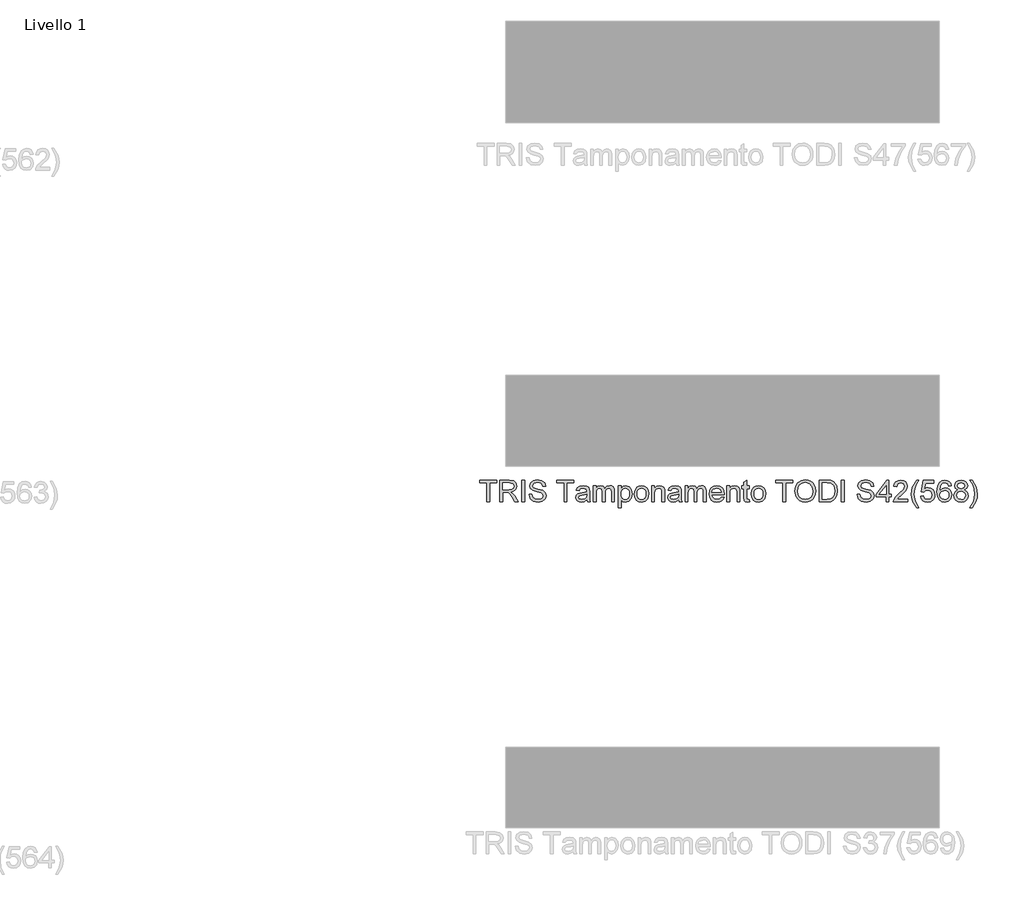
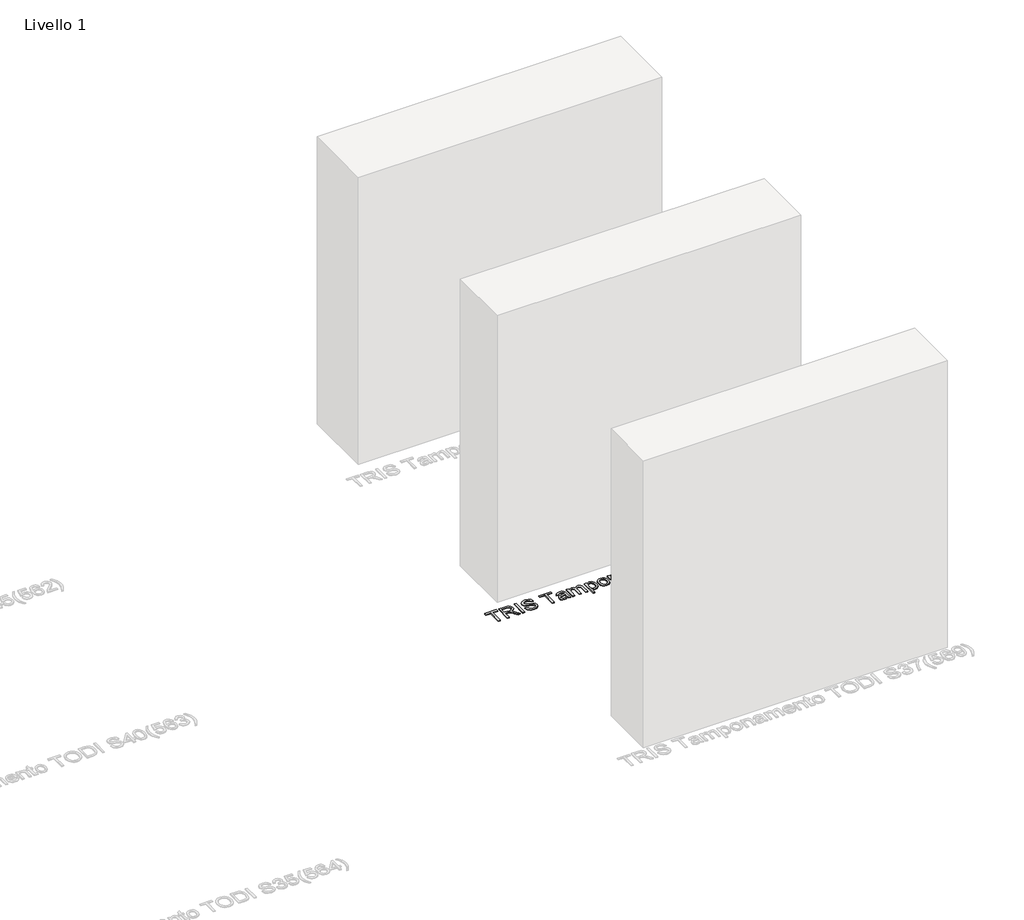
# One storey, part 15 of 18: 1 proxy.
"""IFC4 building model written with IfcOpenShell, lengths in millimetres."""

import ifcopenshell
import ifcopenshell.guid

model = None  # the IFC model being written
_history = None  # IfcOwnerHistory: only IFC2X3 demands one
_inside = {}  # id of a spatial element -> (the spatial element, [elements in it])
_under = {}  # id of a project, library or spatial element -> (it, [spatial elements below it])
_declared = {}  # id of a project -> (the project, [libraries it declares])
_typed = {}  # id of a type object -> (the type object, [elements of that type])
_made_of = {}  # id of a material, layer set ... -> (it, [elements and type objects made of it])


def new_model(schema):
    """Start an empty IFC model of exactly this schema.

    Asked for "IFC4X3", IfcOpenShell would pick the latest addendum, in which some entities
    have other attributes; the version numbers below select the first issue.
    IFC2X3 requires an IfcOwnerHistory on every rooted entity: one is made here for all.
    """
    global model, _history
    if schema == "IFC4X3":
        model = ifcopenshell.file(schema_version=(4, 3, 0, 0))
    else:
        model = ifcopenshell.file(schema=schema)
    _inside.clear()
    _under.clear()
    _declared.clear()
    _typed.clear()
    _made_of.clear()
    _history = None
    if model.schema == "IFC2X3":
        org = make("IfcOrganization", Name="unknown")
        user = make(
            "IfcPersonAndOrganization",
            ThePerson=make("IfcPerson", FamilyName="unknown"),
            TheOrganization=org,
        )
        app = make(
            "IfcApplication",
            ApplicationDeveloper=org,
            Version="unknown",
            ApplicationFullName="unknown",
            ApplicationIdentifier="unknown",
        )
        _history = make(
            "IfcOwnerHistory",
            OwningUser=user,
            OwningApplication=app,
            ChangeAction="ADDED",
            CreationDate=0,
        )
    return model


def make(cls, **values):
    """One entity of the class cls with the attributes given. An attribute that is None is left unset."""
    return model.create_entity(
        cls, **{name: value for name, value in values.items() if value is not None}
    )


def rooted(cls, **values):
    """An entity with a GlobalId (a new one), such as an element, a storey or a relation."""
    return make(cls, GlobalId=ifcopenshell.guid.new(), OwnerHistory=_history, **values)


def si_unit(unit_type, name, prefix=None):
    """IfcSIUnit, for example si_unit("LENGTHUNIT", "METRE", prefix="MILLI")."""
    return make("IfcSIUnit", UnitType=unit_type, Prefix=prefix, Name=name)


def assignment(units):
    """IfcUnitAssignment: the units of a project."""
    return None if units is None else make("IfcUnitAssignment", Units=units)


def point(xyz):
    """IfcCartesianPoint."""
    return None if xyz is None else make("IfcCartesianPoint", Coordinates=xyz)


def direction(xyz):
    """IfcDirection."""
    return None if xyz is None else make("IfcDirection", DirectionRatios=xyz)


def frame(location, z_axis=None, x_axis=None):
    """IfcAxis2Placement3D, a coordinate frame: its origin and axes. An axis left out is left unset."""
    return make(
        "IfcAxis2Placement3D",
        Location=point(location),
        Axis=direction(z_axis),
        RefDirection=direction(x_axis),
    )


def origin():
    """The frame at (0, 0, 0) with its axes left unset."""
    return frame((0.0, 0.0, 0.0))


def origin_with_axes():
    """The frame at (0, 0, 0) with the z axis (0, 0, 1) and the x axis (1, 0, 0) written out."""
    return frame((0.0, 0.0, 0.0), z_axis=(0.0, 0.0, 1.0), x_axis=(1.0, 0.0, 0.0))


def place(relative_to, where):
    """IfcLocalPlacement: puts the frame where relative to a parent placement (None: the world)."""
    return make(
        "IfcLocalPlacement", PlacementRelTo=relative_to, RelativePlacement=where
    )


def context(
    kind, dimensions, precision=None, world=None, true_north=None, identifier=None
):
    """IfcGeometricRepresentationContext, for example the 3D "Model" context."""
    return make(
        "IfcGeometricRepresentationContext",
        ContextIdentifier=identifier,
        ContextType=kind,
        CoordinateSpaceDimension=dimensions,
        Precision=precision,
        WorldCoordinateSystem=world,
        TrueNorth=true_north,
    )


def project(units=None, contexts=None):
    """IfcProject with its units and contexts."""
    return rooted(
        "IfcProject",
        Name="project",
        RepresentationContexts=contexts,
        UnitsInContext=assignment(units),
    )


def spatial(cls, under=None, at=None, **own):
    """A site, building, storey or space (cls), placed at a placement, below another one or the project."""
    s = rooted(cls, ObjectPlacement=at, **own)
    if under is not None:
        _under.setdefault(under.id(), (under, []))[1].append(s)
    return s


def polyline(points):
    """IfcPolyline through the points."""
    return make("IfcPolyline", Points=[point(p) for p in points])


def outline(outer, holes=None, kind="AREA"):
    """IfcArbitraryClosedProfileDef: a profile drawn as a closed curve; with holes, ...WithVoids."""
    if holes is None:
        return make("IfcArbitraryClosedProfileDef", ProfileType=kind, OuterCurve=outer)
    return make(
        "IfcArbitraryProfileDefWithVoids",
        ProfileType=kind,
        OuterCurve=outer,
        InnerCurves=holes,
    )


def extrude(swept, where, along, depth):
    """IfcExtrudedAreaSolid: the profile swept, set in the frame where, extruded along a direction by depth."""
    return make(
        "IfcExtrudedAreaSolid",
        SweptArea=swept,
        Position=where,
        ExtrudedDirection=direction(along),
        Depth=depth,
    )


def shape(context_of_items, identifier, shape_type, items):
    """IfcShapeRepresentation: the items that make up one representation, for example the "Body"."""
    return make(
        "IfcShapeRepresentation",
        ContextOfItems=context_of_items,
        RepresentationIdentifier=identifier,
        RepresentationType=shape_type,
        Items=items,
    )


def made_of(thing, what):
    """Note that an element or type object is made of a material, layer set ...; save() writes the relation."""
    if what is not None:
        _made_of.setdefault(what.id(), (what, []))[1].append(thing)
    return thing


def element(
    cls,
    number,
    at=None,
    inside=None,
    cuts=None,
    type_object=None,
    material=None,
    context=None,
    identifier="Body",
    shape_type=None,
    held_by="IfcProductDefinitionShape",
    body=None,
    shapes=None,
    **own,
):
    """One element of the class cls, such as IfcWall. Its Tag is "e" and its number.

    at: its placement. inside: the storey or other place that contains it. cuts: it is an
    opening in that element (IfcRelVoidsElement). A single representation is given by context,
    identifier, shape_type and body (its items); several are given by shapes. held_by: the class
    of the entity that holds the representations. save() writes the other relations.
    """
    e = rooted(cls, Tag="e%d" % number, ObjectPlacement=at, **own)
    if body is not None:
        shapes = [shape(context, identifier, shape_type, body)]
    if shapes is not None:
        e.Representation = make(held_by, Representations=shapes)
    if inside is not None:
        _inside.setdefault(inside.id(), (inside, []))[1].append(e)
    if cuts is not None:
        rooted(
            "IfcRelVoidsElement", RelatingBuildingElement=cuts, RelatedOpeningElement=e
        )
    if type_object is not None:
        _typed.setdefault(type_object.id(), (type_object, []))[1].append(e)
    return made_of(e, material)


def aggregate(whole, parts):
    """IfcRelAggregates: a whole, such as a stair, and the parts it consists of."""
    return rooted("IfcRelAggregates", RelatingObject=whole, RelatedObjects=parts)


def save(model, path):
    """Write the relations noted so far, then the file.

    IfcRelAggregates (storeys below a building ...), IfcRelContainedInSpatialStructure (elements
    in a storey), IfcRelDefinesByType, IfcRelAssociatesMaterial and IfcRelDeclares: one each for
    every whole, place, type object, material and project.
    """
    for whole, parts in _under.values():
        aggregate(whole, parts)
    for where, things in _inside.values():
        rooted(
            "IfcRelContainedInSpatialStructure",
            RelatedElements=things,
            RelatingStructure=where,
        )
    for kind, things in _typed.values():
        rooted("IfcRelDefinesByType", RelatedObjects=things, RelatingType=kind)
    for what, things in _made_of.values():
        rooted("IfcRelAssociatesMaterial", RelatedObjects=things, RelatingMaterial=what)
    for by, libraries in _declared.values():
        rooted("IfcRelDeclares", RelatingContext=by, RelatedDefinitions=libraries)
    model.write(path)


model = new_model("IFC4")

# Units and contexts
model_context = context("Model", 3, world=origin())
ifc_project = project(units=[si_unit("LENGTHUNIT", "METRE", prefix="MILLI")], contexts=[model_context])

# Site, building, storey
site = spatial("IfcSite", under=ifc_project)
building = spatial("IfcBuilding", under=site)
storey = spatial("IfcBuildingStorey", under=building, Name="Livello 1", Elevation=0.0)

# Proxy
placement = place(None, origin())
element("IfcBuildingElementProxy", 1, Name="100", ObjectType="100", at=placement, inside=storey, context=model_context, shape_type="SweptSolid", body=[
    extrude(outline(polyline([(-1307.4237702, 1615.5194252), (-1307.4237702, 1703.4186966), (-1340.385997, 1703.4186966), (-1340.385997, 1715.9757354), (-1261.9045047, 1715.9757354), (-1261.9045047, 1703.4186966), (-1294.8667315, 1703.4186966), (-1294.8667315, 1615.5194252), (-1307.4237702, 1615.5194252)])), origin_with_axes(), (0.0, 0.0, 1.0), 5.0),
    extrude(outline(polyline([(-1247.7778361, 1615.5194252), (-1247.7778361, 1715.9757354), (-1204.490388, 1715.9757354), (-1184.3917683, 1713.2656714), (-1173.4043594, 1703.676214), (-1169.2963438, 1688.4826876), (-1170.997798, 1678.5866619), (-1176.1021607, 1670.3828935), (-1184.762716, 1664.3680228), (-1197.1327481, 1661.0386908), (-1189.9958374, 1655.6676136), (-1179.8177688, 1642.7426929), (-1163.0668753, 1615.5194252), (-1177.6595278, 1615.5194252), (-1190.7316014, 1636.3415462), (-1200.1739059, 1650.1248583), (-1206.8080445, 1656.6363696), (-1212.7799956, 1659.0276025), (-1220.0640591, 1659.4690609), (-1235.2207973, 1659.4690609), (-1235.2207973, 1615.5194252), (-1247.7778361, 1615.5194252)]), holes=[polyline([(-1235.2207973, 1672.0260997), (-1207.1146129, 1672.0260997), (-1192.7794778, 1673.804196), (-1184.637023, 1679.4941042), (-1181.8533825, 1688.0167038), (-1187.163146, 1699.0776891), (-1203.9508277, 1703.4186966), (-1235.2207973, 1703.4186966), (-1235.2207973, 1672.0260997)])]), origin_with_axes(), (0.0, 0.0, 1.0), 5.0),
    extrude(outline(polyline([(-1145.7518961, 1615.5194252), (-1145.7518961, 1715.9757354), (-1133.1948573, 1715.9757354), (-1133.1948573, 1615.5194252), (-1145.7518961, 1615.5194252)])), origin_with_axes(), (0.0, 0.0, 1.0), 5.0),
    extrude(outline(polyline([(-1112.7896693, 1650.0512819), (-1100.2326305, 1650.0512819), (-1096.1859286, 1637.4819804), (-1086.3021657, 1629.5357293), (-1071.2435293, 1626.5068342), (-1058.1224048, 1628.7999653), (-1049.6488562, 1635.1030101), (-1046.8652158, 1643.5275078), (-1048.9498804, 1651.3633943), (-1057.4847427, 1657.0655652), (-1075.7684779, 1661.8602939), (-1095.4501646, 1668.0529742), (-1106.1310052, 1677.3971768), (-1109.6504096, 1689.8806392), (-1105.2971393, 1704.0931469), (-1092.580685, 1714.1240627), (-1073.9658561, 1717.5453652), (-1054.1002283, 1713.9646472), (-1040.8564765, 1703.4432221), (-1035.8778068, 1687.7223982), (-1048.4348456, 1687.7223982), (-1050.7402395, 1695.2149281), (-1055.5472309, 1700.6227935), (-1073.4753468, 1704.9883265), (-1091.4525136, 1700.6718444), (-1097.0933708, 1690.2485212), (-1093.0957198, 1681.5419806), (-1072.59243, 1674.5276973), (-1050.3723575, 1668.2246524), (-1038.2199889, 1658.0465839), (-1034.308177, 1643.8463389), (-1038.8086001, 1628.8244907), (-1051.7580463, 1617.8616073), (-1070.75302, 1613.9497954), (-1093.181559, 1618.1681756), (-1107.3695412, 1630.8723672), (-1112.7896693, 1650.0512819)])), origin_with_axes(), (0.0, 0.0, 1.0), 5.0),
    extrude(outline(polyline([(-951.1177952, 1615.5194252), (-951.1177952, 1703.4186966), (-984.0800219, 1703.4186966), (-984.0800219, 1715.9757354), (-905.5985296, 1715.9757354), (-905.5985296, 1703.4186966), (-938.5607564, 1703.4186966), (-938.5607564, 1615.5194252), (-951.1177952, 1615.5194252)])), origin_with_axes(), (0.0, 0.0, 1.0), 5.0),
    extrude(outline(polyline([(-845.9525955, 1624.9372043), (-858.1294895, 1616.4268675), (-871.5817078, 1613.9497954), (-882.0755417, 1615.4397175), (-889.816392, 1619.9094837), (-894.5896609, 1626.6969065), (-896.1807505, 1635.1397983), (-893.7772548, 1645.0726122), (-887.4619473, 1652.2830993), (-878.6695676, 1656.4033776), (-867.804786, 1658.2918385), (-846.0261719, 1662.6083206), (-845.9525955, 1665.4042238), (-849.4106862, 1674.6748501), (-863.2921002, 1678.3046191), (-875.9962917, 1675.8888607), (-882.0540819, 1667.3172102), (-894.6111207, 1668.88684), (-889.1787299, 1681.1495732), (-878.2403719, 1688.3355348), (-861.6734194, 1690.8616579), (-846.4553675, 1688.6298404), (-837.8591916, 1683.0257714), (-834.0086934, 1674.5031718), (-833.3955567, 1663.5157629), (-833.3955567, 1647.8930408), (-832.7578946, 1626.0776385), (-830.256297, 1615.5194252), (-842.8133358, 1615.5194252), (-845.9525955, 1624.9372043)]), holes=[polyline([(-845.9525955, 1650.0512819), (-866.2106307, 1646.2007836), (-877.0140986, 1644.1651699), (-881.9069291, 1640.854232), (-883.6237118, 1636.0227151), (-879.8835782, 1629.2291609), (-868.908432, 1626.5068342), (-856.2042404, 1629.5112038), (-848.0127346, 1636.7830046), (-846.0261719, 1646.4950892), (-845.9525955, 1650.0512819)])]), origin_with_axes(), (0.0, 0.0, 1.0), 5.0),
    extrude(outline(polyline([(-816.1296284, 1615.5194252), (-816.1296284, 1689.292028), (-803.5725896, 1689.292028), (-803.5725896, 1677.1519222), (-794.9396255, 1687.0969988), (-782.6523668, 1690.8616579), (-770.0708026, 1687.0234224), (-763.1546211, 1676.2690054), (-753.3566973, 1687.2134947), (-740.9835995, 1690.8616579), (-731.5443607, 1689.3441446), (-724.5637998, 1684.7916049), (-720.2503834, 1677.0814115), (-718.8125779, 1666.0909368), (-718.8125779, 1615.5194252), (-731.3696167, 1615.5194252), (-731.3696167, 1660.6953342), (-732.5345764, 1671.1799711), (-736.7529566, 1676.3425818), (-743.9266555, 1678.3046191), (-756.2752278, 1673.2768985), (-759.9632448, 1666.7347303), (-761.1925838, 1657.1636671), (-761.1925838, 1615.5194252), (-773.7496226, 1615.5194252), (-773.7496226, 1662.0932858), (-776.6558903, 1674.2579171), (-786.184034, 1678.3046191), (-795.4791857, 1675.6068178), (-801.6596033, 1667.7096176), (-803.5725896, 1652.7245577), (-803.5725896, 1615.5194252), (-816.1296284, 1615.5194252)])), origin_with_axes(), (0.0, 0.0, 1.0), 5.0),
    extrude(outline(polyline([(-699.9770198, 1587.266088), (-699.9770198, 1689.292028), (-687.419981, 1689.292028), (-687.419981, 1676.9802439), (-678.7379659, 1687.3913044), (-667.014793, 1690.8616579), (-651.0977654, 1686.0056155), (-640.6989676, 1672.3204053), (-637.1918259, 1652.9698124), (-641.1526888, 1632.625938), (-652.6551325, 1618.7690495), (-668.5353719, 1613.9497954), (-679.4614672, 1617.1748942), (-687.419981, 1625.3296118), (-687.419981, 1587.266088), (-699.9770198, 1587.266088)]), holes=[polyline([(-687.419981, 1651.8171154), (-686.0618833, 1640.5599264), (-681.9875902, 1632.6872517), (-675.9757853, 1628.0519385), (-668.8051521, 1626.5068342), (-661.5180229, 1628.1071208), (-655.3529338, 1632.9079809), (-651.149882, 1641.0688298), (-649.7488647, 1652.7490832), (-651.1161595, 1663.9449585), (-655.2180437, 1671.9279978), (-661.2206516, 1676.7104638), (-668.2901173, 1678.3046191), (-675.3871741, 1676.6092962), (-681.6197082, 1671.5233276), (-685.9699128, 1663.2061289), (-687.419981, 1651.8171154)])]), origin_with_axes(), (0.0, 0.0, 1.0), 5.0),
    extrude(outline(polyline([(-626.204417, 1652.4057266), (-623.4882216, 1670.1928211), (-615.3396354, 1682.6946776), (-605.2719315, 1688.8199128), (-593.2176648, 1690.8616579), (-580.0260296, 1688.3753887), (-569.4892761, 1680.9165813), (-562.5822916, 1669.0738467), (-560.2799635, 1653.4357962), (-564.3511909, 1631.0930964), (-576.2092539, 1618.4502185), (-593.2176648, 1613.9497954), (-606.5687155, 1616.4268675), (-617.0932063, 1623.8580838), (-623.9266143, 1635.9491387), (-626.204417, 1652.4057266)]), holes=[polyline([(-613.6473783, 1652.4302521), (-612.1942444, 1641.0657641), (-607.8348427, 1632.9692945), (-601.2742805, 1628.1224493), (-593.2176648, 1626.5068342), (-585.1978373, 1628.1316463), (-578.6495378, 1633.0060827), (-574.2901361, 1641.2098512), (-572.8370023, 1652.8226596), (-574.2993332, 1663.8560537), (-578.686326, 1671.8421587), (-585.2438225, 1676.689004), (-593.2176648, 1678.3046191), (-601.2742805, 1676.6951354), (-607.8348427, 1671.8666842), (-612.1942444, 1663.7886087), (-613.6473783, 1652.4302521)])]), origin_with_axes(), (0.0, 0.0, 1.0), 5.0),
    extrude(outline(polyline([(-546.1532949, 1615.5194252), (-546.1532949, 1689.292028), (-533.5962561, 1689.292028), (-533.5962561, 1678.9913321), (-523.994536, 1687.8940764), (-510.8856743, 1690.8616579), (-499.0276113, 1688.4704249), (-490.9342074, 1682.1919055), (-487.1695483, 1672.9580674), (-486.5073607, 1660.8179616), (-486.5073607, 1615.5194252), (-499.0643995, 1615.5194252), (-499.0643995, 1659.1257044), (-500.511402, 1670.2357407), (-505.6249617, 1676.1095898), (-514.2456632, 1678.3046191), (-527.8695597, 1673.3750003), (-532.164582, 1666.2319583), (-533.5962561, 1654.6620695), (-533.5962561, 1615.5194252), (-546.1532949, 1615.5194252)])), origin_with_axes(), (0.0, 0.0, 1.0), 5.0),
    extrude(outline(polyline([(-422.152537, 1624.9372043), (-434.3294311, 1616.4268675), (-447.7816494, 1613.9497954), (-458.2754833, 1615.4397175), (-466.0163336, 1619.9094837), (-470.7896025, 1626.6969065), (-472.3806921, 1635.1397983), (-469.9771964, 1645.0726122), (-463.6618888, 1652.2830993), (-454.8695091, 1656.4033776), (-444.0047275, 1658.2918385), (-422.2261134, 1662.6083206), (-422.152537, 1665.4042238), (-425.6106278, 1674.6748501), (-439.4920417, 1678.3046191), (-452.1962333, 1675.8888607), (-458.2540235, 1667.3172102), (-470.8110623, 1668.88684), (-465.3786715, 1681.1495732), (-454.4403135, 1688.3355348), (-437.873361, 1690.8616579), (-422.6553091, 1688.6298404), (-414.0591331, 1683.0257714), (-410.2086349, 1674.5031718), (-409.5954983, 1663.5157629), (-409.5954983, 1647.8930408), (-408.9578361, 1626.0776385), (-406.4562386, 1615.5194252), (-419.0132773, 1615.5194252), (-422.152537, 1624.9372043)]), holes=[polyline([(-422.152537, 1650.0512819), (-442.4105722, 1646.2007836), (-453.2140402, 1644.1651699), (-458.1068707, 1640.854232), (-459.8236533, 1636.0227151), (-456.0835197, 1629.2291609), (-445.1083735, 1626.5068342), (-432.404182, 1629.5112038), (-424.2126762, 1636.7830046), (-422.2261134, 1646.4950892), (-422.152537, 1650.0512819)])]), origin_with_axes(), (0.0, 0.0, 1.0), 5.0),
    extrude(outline(polyline([(-392.32957, 1615.5194252), (-392.32957, 1689.292028), (-379.7725312, 1689.292028), (-379.7725312, 1677.1519222), (-371.139567, 1687.0969988), (-358.8523084, 1690.8616579), (-346.2707442, 1687.0234224), (-339.3545626, 1676.2690054), (-329.5566388, 1687.2134947), (-317.1835411, 1690.8616579), (-307.7443022, 1689.3441446), (-300.7637414, 1684.7916049), (-296.450325, 1677.0814115), (-295.0125195, 1666.0909368), (-295.0125195, 1615.5194252), (-307.5695583, 1615.5194252), (-307.5695583, 1660.6953342), (-308.7345179, 1671.1799711), (-312.9528981, 1676.3425818), (-320.126597, 1678.3046191), (-332.4751693, 1673.2768985), (-336.1631863, 1666.7347303), (-337.3925253, 1657.1636671), (-337.3925253, 1615.5194252), (-349.9495641, 1615.5194252), (-349.9495641, 1662.0932858), (-352.8558319, 1674.2579171), (-362.3839755, 1678.3046191), (-371.6791273, 1675.6068178), (-377.8595448, 1667.7096176), (-379.7725312, 1652.7245577), (-379.7725312, 1615.5194252), (-392.32957, 1615.5194252)])), origin_with_axes(), (0.0, 0.0, 1.0), 5.0),
    extrude(outline(polyline([(-224.5263292, 1637.4942431), (-212.2145451, 1635.9246132), (-216.6505888, 1626.6478556), (-223.7292516, 1619.71328), (-233.2911178, 1615.3906665), (-245.1767719, 1613.9497954), (-259.9104458, 1616.4360645), (-271.2473426, 1623.894872), (-278.4762238, 1635.8418398), (-280.8858509, 1651.79259), (-278.4516983, 1668.2798347), (-271.1492407, 1680.6100129), (-259.9656281, 1688.2987466), (-245.8880104, 1690.8616579), (-232.2487854, 1688.304878), (-221.3502813, 1680.6345384), (-214.2041736, 1668.3288856), (-211.8221377, 1651.8661664), (-211.8957141, 1648.481652), (-268.3288121, 1648.481652), (-266.1552427, 1639.082267), (-261.1060623, 1632.1722169), (-253.8189331, 1627.9231798), (-244.9315172, 1626.5068342), (-232.6197331, 1629.1310591), (-224.5263292, 1637.4942431)]), holes=[polyline([(-268.3288121, 1661.0386908), (-224.3791764, 1661.0386908), (-229.406897, 1672.4185072), (-236.7277487, 1676.8330911), (-245.9370613, 1678.3046191), (-261.4003679, 1673.6079923), (-266.2656073, 1668.1173535), (-268.3288121, 1661.0386908)])]), origin_with_axes(), (0.0, 0.0, 1.0), 5.0),
    extrude(outline(polyline([(-199.2650989, 1615.5194252), (-199.2650989, 1689.292028), (-186.7080601, 1689.292028), (-186.7080601, 1678.9913321), (-177.10634, 1687.8940764), (-163.9974783, 1690.8616579), (-152.1394153, 1688.4704249), (-144.0460114, 1682.1919055), (-140.2813523, 1672.9580674), (-139.6191647, 1660.8179616), (-139.6191647, 1615.5194252), (-152.1762035, 1615.5194252), (-152.1762035, 1659.1257044), (-153.623206, 1670.2357407), (-158.7367657, 1676.1095898), (-167.3574672, 1678.3046191), (-180.9813637, 1673.3750003), (-185.276386, 1666.2319583), (-186.7080601, 1654.6620695), (-186.7080601, 1615.5194252), (-199.2650989, 1615.5194252)])), origin_with_axes(), (0.0, 0.0, 1.0), 5.0),
    extrude(outline(polyline([(-95.669529, 1625.9917994), (-94.0998992, 1615.1515432), (-103.4931528, 1613.9497954), (-114.0145779, 1616.03446), (-119.2630277, 1621.503639), (-120.7836066, 1635.752935), (-120.7836066, 1676.7349892), (-130.2013857, 1676.7349892), (-130.2013857, 1689.292028), (-120.7836066, 1689.292028), (-120.7836066, 1707.2201439), (-108.2265678, 1714.6023093), (-108.2265678, 1689.292028), (-95.669529, 1689.292028), (-95.669529, 1676.7349892), (-108.2265678, 1676.7349892), (-108.2265678, 1636.120817), (-107.5643802, 1629.6460939), (-105.4184019, 1627.3529628), (-101.138708, 1626.5068342), (-95.669529, 1625.9917994)])), origin_with_axes(), (0.0, 0.0, 1.0), 5.0),
    extrude(outline(polyline([(-86.25175, 1652.4057266), (-83.5355546, 1670.1928211), (-75.3869684, 1682.6946776), (-65.3192644, 1688.8199128), (-53.2649977, 1690.8616579), (-40.0733625, 1688.3753887), (-29.536609, 1680.9165813), (-22.6296246, 1669.0738467), (-20.3272964, 1653.4357962), (-24.3985238, 1631.0930964), (-36.2565868, 1618.4502185), (-53.2649977, 1613.9497954), (-66.6160485, 1616.4268675), (-77.1405392, 1623.8580838), (-83.9739473, 1635.9491387), (-86.25175, 1652.4057266)]), holes=[polyline([(-73.6947112, 1652.4302521), (-72.2415773, 1641.0657641), (-67.8821757, 1632.9692945), (-61.3216134, 1628.1224493), (-53.2649977, 1626.5068342), (-45.2451702, 1628.1316463), (-38.6968707, 1633.0060827), (-34.3374691, 1641.2098512), (-32.8843352, 1652.8226596), (-34.3466661, 1663.8560537), (-38.7336589, 1671.8421587), (-45.2911555, 1676.689004), (-53.2649977, 1678.3046191), (-61.3216134, 1676.6951354), (-67.8821757, 1671.8666842), (-72.2415773, 1663.7886087), (-73.6947112, 1652.4302521)])]), origin_with_axes(), (0.0, 0.0, 1.0), 5.0),
    extrude(outline(polyline([(59.7238257, 1615.5194252), (59.7238257, 1703.4186966), (26.761599, 1703.4186966), (26.761599, 1715.9757354), (105.2430913, 1715.9757354), (105.2430913, 1703.4186966), (72.2808645, 1703.4186966), (72.2808645, 1615.5194252), (59.7238257, 1615.5194252)])), origin_with_axes(), (0.0, 0.0, 1.0), 5.0),
    extrude(outline(polyline([(114.6608703, 1664.4232051), (118.0085965, 1686.6371463), (128.051775, 1703.4432221), (143.3863228, 1714.0198295), (162.608157, 1717.5453652), (175.7844638, 1715.8898963), (187.5996072, 1710.9234893), (197.4097938, 1702.9956323), (204.57123, 1692.4558132), (208.9490257, 1679.8129353), (210.4082909, 1665.5759021), (208.8723836, 1651.1487965), (204.2646616, 1638.3281089), (196.8395767, 1627.7698957), (186.8515805, 1620.1302129), (175.1376047, 1615.4948998), (162.5345806, 1613.9497954), (149.1559387, 1615.657381), (137.2733503, 1620.7801378), (127.4876892, 1628.8551476), (120.3998295, 1639.4194922), (114.6608703, 1664.4232051)]), holes=[polyline([(127.2179091, 1664.3005778), (129.7287037, 1648.5858852), (137.2610876, 1636.6113263), (148.582656, 1629.0329572), (162.4610042, 1626.5068342), (176.5416876, 1629.0574827), (187.8816501, 1636.7094282), (195.3588517, 1649.0518691), (197.8512522, 1665.6740039), (193.583821, 1686.398023), (181.1126214, 1700.1200214), (162.6817334, 1704.9883265), (149.1743328, 1702.6430787), (137.6902832, 1695.6073356), (129.8360026, 1683.0901507), (127.2179091, 1664.3005778)])]), origin_with_axes(), (0.0, 0.0, 1.0), 5.0),
    extrude(outline(polyline([(227.6742193, 1615.5194252), (227.6742193, 1715.9757354), (262.3287032, 1715.9757354), (280.2568191, 1714.5287329), (295.0211498, 1707.3427712), (306.916001, 1690.1749448), (310.8646011, 1666.2871406), (308.1913253, 1646.0168426), (301.3241947, 1631.387402), (292.1516703, 1622.2761912), (280.1464545, 1617.2362079), (263.9964349, 1615.5194252), (227.6742193, 1615.5194252)]), holes=[polyline([(240.231258, 1628.076464), (262.4513305, 1628.076464), (278.6136129, 1629.8913485), (287.9332901, 1635.017171), (295.5729728, 1647.4883706), (298.3075623, 1666.4833443), (296.9678587, 1680.1685545), (292.9487479, 1690.2730467), (279.9134626, 1701.4076084), (262.107974, 1703.4186966), (240.231258, 1703.4186966), (240.231258, 1628.076464)])]), origin_with_axes(), (0.0, 0.0, 1.0), 5.0),
    extrude(outline(polyline([(329.7001592, 1615.5194252), (329.7001592, 1715.9757354), (342.257198, 1715.9757354), (342.257198, 1615.5194252), (329.7001592, 1615.5194252)])), origin_with_axes(), (0.0, 0.0, 1.0), 5.0),
    extrude(outline(polyline([(401.9031322, 1650.0512819), (414.4601709, 1650.0512819), (418.5068729, 1637.4819804), (428.3906358, 1629.5357293), (443.4492722, 1626.5068342), (456.5703967, 1628.7999653), (465.0439453, 1635.1030101), (467.8275857, 1643.5275078), (465.7429211, 1651.3633943), (457.2080588, 1657.0655652), (438.9243236, 1661.8602939), (419.2426369, 1668.0529742), (408.5617963, 1677.3971768), (405.0423919, 1689.8806392), (409.3956621, 1704.0931469), (422.1121164, 1714.1240627), (440.7269454, 1717.5453652), (460.5925731, 1713.9646472), (473.836325, 1703.4432221), (478.8149946, 1687.7223982), (466.2579559, 1687.7223982), (463.952562, 1695.2149281), (459.1455706, 1700.6227935), (441.2174547, 1704.9883265), (423.2402879, 1700.6718444), (417.5994306, 1690.2485212), (421.5970816, 1681.5419806), (442.1003715, 1674.5276973), (464.320444, 1668.2246524), (476.4728126, 1658.0465839), (480.3846245, 1643.8463389), (475.8842014, 1628.8244907), (462.9347552, 1617.8616073), (443.9397815, 1613.9497954), (421.5112425, 1618.1681756), (407.3232602, 1630.8723672), (401.9031322, 1650.0512819)])), origin_with_axes(), (0.0, 0.0, 1.0), 5.0),
    extrude(outline(polyline([(535.3216691, 1615.5194252), (535.3216691, 1639.0638729), (489.8024035, 1639.0638729), (489.8024035, 1651.6209117), (538.4609288, 1714.4061055), (547.8787079, 1714.4061055), (547.8787079, 1651.6209117), (560.4357466, 1651.6209117), (560.4357466, 1639.0638729), (547.8787079, 1639.0638729), (547.8787079, 1615.5194252), (535.3216691, 1615.5194252)]), holes=[polyline([(535.3216691, 1651.6209117), (535.3216691, 1690.4201995), (505.2534473, 1651.6209117), (535.3216691, 1651.6209117)])]), origin_with_axes(), (0.0, 0.0, 1.0), 5.0),
    extrude(outline(polyline([(635.7779792, 1628.076464), (635.7779792, 1615.5194252), (569.8535257, 1615.5194252), (571.2024263, 1624.1769149), (578.8298464, 1637.5065058), (594.5506703, 1652.0623701), (616.2311826, 1672.9825929), (621.6513106, 1687.2073634), (616.5377509, 1698.7220698), (603.1836345, 1703.4186966), (589.2654323, 1698.8324344), (583.9801943, 1686.1527683), (571.4231555, 1687.7223982), (574.4673791, 1699.8686354), (581.0494011, 1708.7407228), (590.8258651, 1714.1669822), (603.4534146, 1715.9757354), (616.1729346, 1713.9646472), (625.9310045, 1707.9313824), (632.1390132, 1698.9182735), (634.2083494, 1687.9676528), (631.976532, 1676.0605389), (624.5575784, 1663.7487548), (606.5681488, 1646.5441402), (592.1226491, 1634.465348), (586.4572664, 1628.076464), (635.7779792, 1628.076464)])), origin_with_axes(), (0.0, 0.0, 1.0), 5.0),
    extrude(outline(polyline([(676.5883552, 1587.266088), (658.7583412, 1616.7211731), (653.2952936, 1633.9012623), (651.4742777, 1651.6944881), (656.9189312, 1682.2286937), (676.5883552, 1715.9757354), (686.0061343, 1715.9757354), (674.2584359, 1696.0855822), (667.1951016, 1676.8085656), (664.0313165, 1651.6209117), (669.5250209, 1619.4312371), (686.0061343, 1587.266088), (676.5883552, 1587.266088)])), origin_with_axes(), (0.0, 0.0, 1.0), 5.0),
    extrude(outline(polyline([(695.4239134, 1642.2031326), (707.9809522, 1643.7727625), (714.3085225, 1630.835579), (727.429647, 1626.5068342), (736.4304931, 1628.0120847), (743.1749964, 1632.5278362), (747.3872452, 1639.5329225), (748.7913282, 1648.5061775), (743.5306156, 1663.417661), (736.9240681, 1667.5195453), (727.6258507, 1668.88684), (716.6016536, 1666.7040735), (709.550582, 1661.0386908), (696.9935432, 1662.6083206), (707.9809522, 1714.4061055), (756.6394774, 1714.4061055), (756.6394774, 1701.8490668), (718.1344952, 1701.8490668), (712.7634181, 1674.1843407), (721.7336074, 1679.6289943), (731.1329924, 1681.4438788), (742.8653623, 1679.1936672), (752.6050382, 1672.4430326), (759.1625347, 1662.1545995), (761.3483669, 1649.2909924), (759.3801982, 1636.7339536), (753.4756922, 1625.9917994), (742.1694522, 1616.9602964), (727.380596, 1613.9497954), (715.0473521, 1615.8842416), (705.2218372, 1621.68758), (698.486531, 1630.6853605), (695.4239134, 1642.2031326)])), origin_with_axes(), (0.0, 0.0, 1.0), 5.0),
    extrude(outline(polyline([(836.6905995, 1689.292028), (824.1335608, 1687.7223982), (819.3756203, 1698.1947723), (806.7940561, 1703.4186966), (795.4632906, 1700.3775388), (786.8916401, 1688.9609342), (783.3231848, 1666.5814462), (794.3964328, 1676.6000992), (808.1184312, 1679.8742489), (819.7189768, 1677.6363001), (829.455587, 1670.9224537), (836.0590688, 1660.6646774), (838.2602294, 1647.794939), (834.1154256, 1630.467697), (822.7110837, 1618.2049638), (806.2544958, 1613.9497954), (792.0082655, 1616.770224), (780.6621717, 1625.2315099), (773.2401524, 1640.1675189), (770.766146, 1662.4121169), (773.5129982, 1687.4219612), (781.7535549, 1704.5223426), (793.0046126, 1713.1123872), (807.578871, 1715.9757354), (818.5969367, 1714.2037704), (827.4199733, 1708.8878756), (833.6003908, 1700.4449838), (836.6905995, 1689.292028)]), holes=[polyline([(783.3231848, 1647.9911427), (786.2294525, 1637.1140984), (793.9549744, 1629.2168982), (805.2734771, 1626.5068342), (813.5600191, 1627.9109171), (820.0745961, 1632.123166), (824.296042, 1638.7450419), (825.7031906, 1647.378006), (824.3144361, 1655.664548), (820.1481725, 1661.9829212), (813.5232309, 1665.9836379), (804.7584424, 1667.3172102), (789.564916, 1661.9829212), (784.8836176, 1655.8178321), (783.3231848, 1647.9911427)])]), origin_with_axes(), (0.0, 0.0, 1.0), 5.0),
    extrude(outline(polyline([(867.5436362, 1670.8488773), (856.1025061, 1678.6479756), (852.386898, 1690.7880815), (854.410249, 1700.6043994), (860.4803019, 1708.7161974), (869.9164751, 1714.1608509), (882.0381868, 1715.9757354), (894.2334749, 1714.1179313), (903.7922755, 1708.5445191), (909.972693, 1700.3039624), (912.0328321, 1690.4447249), (908.3662749, 1678.6111874), (897.2439759, 1670.8488773), (910.5980924, 1661.0019026), (915.1720918, 1644.7537811), (912.9034862, 1632.7485653), (906.0976693, 1622.8280142), (895.588507, 1616.1693501), (882.2098651, 1613.9497954), (868.8312232, 1616.1785471), (858.3220609, 1622.8648024), (851.5162439, 1632.8803897), (849.2476383, 1645.0971377), (854.0055788, 1661.7254038), (867.5436362, 1670.8488773)]), holes=[polyline([(864.9439368, 1690.4201995), (869.3953089, 1680.560962), (882.3570179, 1676.7349892), (895.0612094, 1680.5364365), (899.4757934, 1689.8561137), (894.9140566, 1699.5068847), (882.2098651, 1703.4186966), (869.4688853, 1699.5927239), (864.9439368, 1690.4201995)]), polyline([(861.8046771, 1645.538596), (863.9016044, 1636.0840288), (871.320558, 1629.0084317), (882.3079669, 1626.5068342), (890.855092, 1627.8220123), (897.2685014, 1631.7675467), (902.6150531, 1645.1461886), (897.0968231, 1658.7823479), (890.5362609, 1662.8290498), (881.891034, 1664.1779505), (873.4634706, 1662.8474439), (867.1144405, 1658.8559243), (861.8046771, 1645.538596)])]), origin_with_axes(), (0.0, 0.0, 1.0), 5.0),
    extrude(outline(polyline([(932.4380201, 1587.266088), (923.0202411, 1587.266088), (939.5013545, 1619.4312371), (944.9950589, 1651.6209117), (941.8312738, 1676.5878364), (934.8415158, 1695.8893785), (923.0202411, 1715.9757354), (932.4380201, 1715.9757354), (952.1074442, 1682.2286937), (957.5520977, 1651.6944881), (955.7218848, 1633.9012623), (950.231246, 1616.7211731), (932.4380201, 1587.266088)])), origin_with_axes(), (0.0, 0.0, 1.0), 5.0),
])

save(model, "model.ifc")
